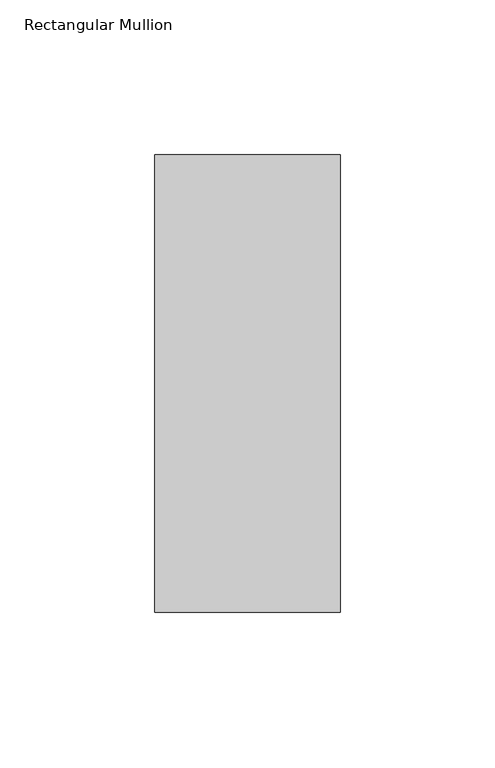
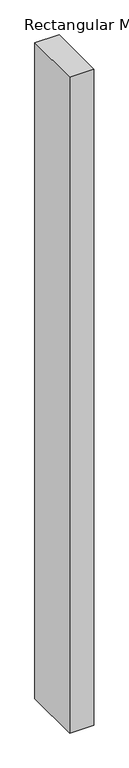
"""IFC4 building model written with IfcOpenShell, lengths in millimetres: member geometry, Rectangular Mullion."""

from ifc_helpers import new_model, si_unit, frame, origin, place, context, project, spatial, polyline, outline, extrude, source, transform, mapped, element, save


def rectangular_mullion_3b897cc6(model_context):
    return source(origin(), model_context, "Body", "SweptSolid", [
        extrude(outline(polyline([(30.0, 102.05), (30.0, -46.05), (-30.0, -46.05), (-30.0, 102.05), (30.0, 102.05)])), frame((0.0, 0.0, -1708.8912252), z_axis=(0.0, 0.0, 1.0), x_axis=(1.0, 0.0, 0.0)), (0.0, 0.0, 1.0), 1708.8912252),
    ])


if __name__ == "__main__":
    model = new_model("IFC4")
    model_context = context("Model", 3, world=origin())
    ifc_project = project(units=[si_unit("LENGTHUNIT", "METRE", prefix="MILLI")], contexts=[model_context])
    site = spatial("IfcSite", under=ifc_project)
    building = spatial("IfcBuilding", under=site)
    placement = place(None, origin())
    rectangular_mullion_shape = rectangular_mullion_3b897cc6(model_context)
    element("IfcMember", 1, ObjectType="Rectangular Mullion", at=placement, inside=building, context=model_context, shape_type="MappedRepresentation", body=[
        mapped(rectangular_mullion_shape, transform((0.0, 0.0, 0.0), x_axis=(1.0, 0.0, 0.0), y_axis=(0.0, 1.0, 0.0), z_axis=(0.0, 0.0, 1.0))),
    ])
    save(model, "model.ifc")
